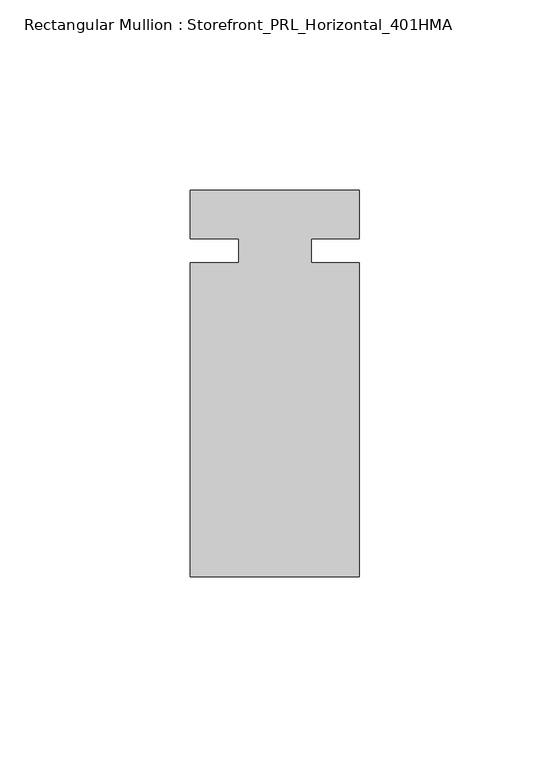
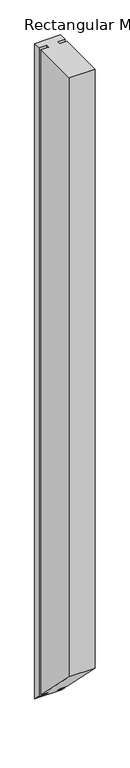
"""IFC4 building model written with IfcOpenShell, lengths in millimetres: member geometry, Rectangular Mullion : Storefront_PRL_Horizontal_401HMA."""

from ifc_helpers import new_model, si_unit, origin, place, context, project, spatial, faceted_brep, source, transform, mapped, element, save


def rectangular_mullion_storefront_prl_horizontal_401hma_66384243(model_context):
    return source(origin(), model_context, "Body", "Brep", [
        faceted_brep([(-9.525, -3.175, 0.0), (-22.225, -3.175, 0.0), (-22.225, -85.725, 0.0), (22.225, -85.725, 0.0), (22.225, -3.175, 0.0), (9.525, -3.175, 0.0), (9.525, 3.175, 0.0), (22.225, 3.175, 0.0), (22.225, 15.875, 0.0), (-22.225, 15.875, 0.0), (-22.225, 3.175, 0.0), (-9.525, 3.175, 0.0), (-9.525, -3.175, -1165.225), (-22.225, -3.175, -1165.225), (-22.225, -85.725, -1082.675), (22.225, -85.725, -1082.675), (22.225, -3.175, -1165.225), (9.525, -3.175, -1165.225), (9.525, 3.175, -1171.575), (22.225, 3.175, -1171.575), (22.225, 15.875, -1184.275), (-22.225, 15.875, -1184.275), (-22.225, 3.175, -1171.575), (-9.525, 3.175, -1171.575)], [[[0, 1, 2, 3, 4, 5, 6, 7, 8, 9, 10, 11]], [[1, 0, 12, 13]], [[2, 1, 13, 14]], [[3, 2, 14, 15]], [[4, 3, 15, 16]], [[5, 4, 16, 17]], [[6, 5, 17, 18]], [[7, 6, 18, 19]], [[8, 7, 19, 20]], [[9, 8, 20, 21]], [[10, 9, 21, 22]], [[11, 10, 22, 23]], [[0, 11, 23, 12]], [[12, 23, 22, 21, 20, 19, 18, 17, 16, 15, 14, 13]]]),
    ])


if __name__ == "__main__":
    model = new_model("IFC4")
    model_context = context("Model", 3, world=origin())
    ifc_project = project(units=[si_unit("LENGTHUNIT", "METRE", prefix="MILLI")], contexts=[model_context])
    site = spatial("IfcSite", under=ifc_project)
    building = spatial("IfcBuilding", under=site)
    placement = place(None, origin())
    rectangular_mullion_storefront_prl_horizontal_401hma_shape = rectangular_mullion_storefront_prl_horizontal_401hma_66384243(model_context)
    element("IfcMember", 1, ObjectType="Rectangular Mullion : Storefront_PRL_Horizontal_401HMA", at=placement, inside=building, context=model_context, shape_type="MappedRepresentation", body=[
        mapped(rectangular_mullion_storefront_prl_horizontal_401hma_shape, transform((0.0, 0.0, 0.0), x_axis=(1.0, 0.0, 0.0), y_axis=(0.0, 1.0, 0.0), z_axis=(0.0, 0.0, 1.0))),
    ])
    save(model, "model.ifc")
